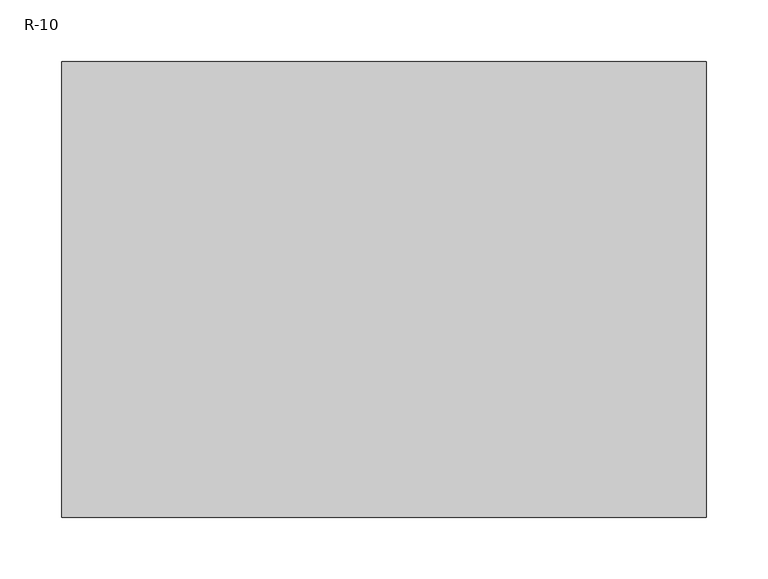
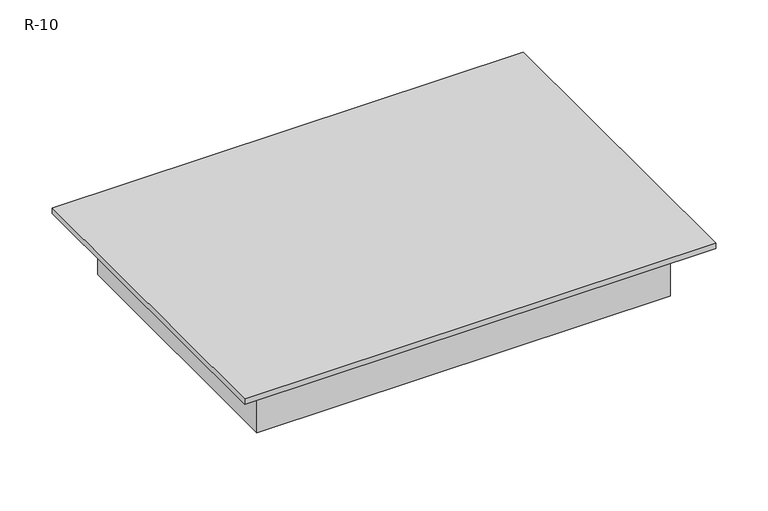
"""IFC4 building model written with IfcOpenShell, lengths in millimetres: air terminal geometry, R-10."""

from ifc_helpers import new_model, si_unit, frame, origin, origin_with_axes, place, context, project, spatial, polyline, outline, extrude, source, transform, mapped, element, save


def r_10_e84f8abd(model_context):
    return source(origin(), model_context, "Body", "SweptSolid", [
        extrude(outline(polyline([(228.6, 152.4), (228.6, -152.4), (-228.6, -152.4), (-228.6, 152.4), (228.6, 152.4)])), frame((0.0, 0.0, -63.5), z_axis=(0.0, 0.0, 1.0), x_axis=(1.0, 0.0, 0.0)), (0.0, 0.0, 1.0), 63.5),
        extrude(outline(polyline([(260.35, 184.15), (260.35, -184.15), (-260.35, -184.15), (-260.35, 184.15), (260.35, 184.15)])), origin_with_axes(), (0.0, 0.0, 1.0), 6.35),
    ])


if __name__ == "__main__":
    model = new_model("IFC4")
    model_context = context("Model", 3, world=origin())
    ifc_project = project(units=[si_unit("LENGTHUNIT", "METRE", prefix="MILLI")], contexts=[model_context])
    site = spatial("IfcSite", under=ifc_project)
    building = spatial("IfcBuilding", under=site)
    placement = place(None, origin())
    r_10_shape = r_10_e84f8abd(model_context)
    element("IfcAirTerminal", 1, ObjectType="R-10", at=placement, inside=building, context=model_context, shape_type="MappedRepresentation", body=[
        mapped(r_10_shape, transform((0.0, 0.0, 0.0), x_axis=(1.0, 0.0, 0.0), y_axis=(0.0, 1.0, 0.0), z_axis=(0.0, 0.0, 1.0))),
    ])
    save(model, "model.ifc")
